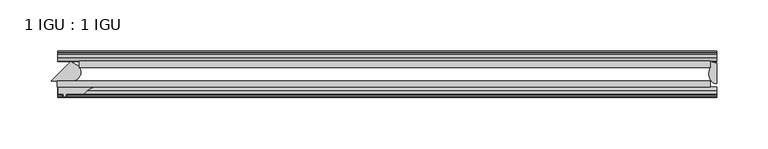
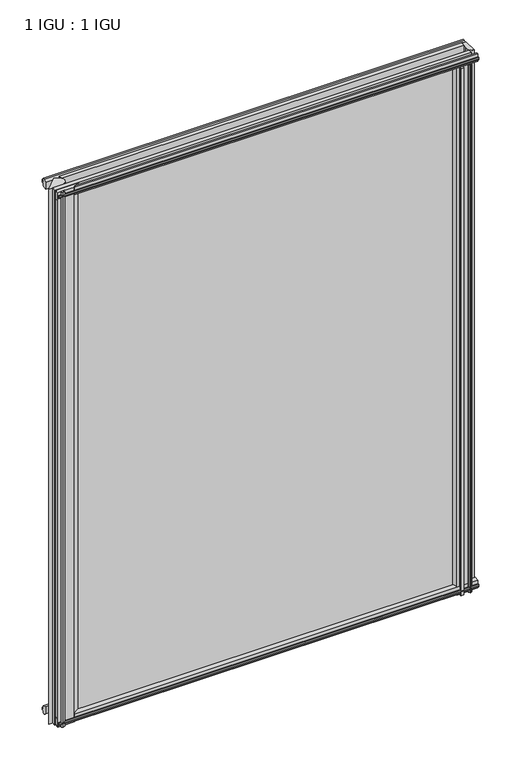
"""IFC4 building model written with IfcOpenShell, lengths in millimetres: plate geometry, 1 IGU : 1 IGU."""

from ifc_helpers import new_model, si_unit, point, frame, frame_2d, origin, place, context, project, spatial, polyline, circle_curve, ellipse_curve, trimmed, segment, composite_curve, outline, extrude, source, transform, mapped, element, save
from ifc_brep_helpers import plane_surface, cylinder_surface, revolved_surface, extruded_surface, advanced_brep


def plate_1_igu_1_igu_557aa4a2(model_context):
    return source(origin(), model_context, "Body", "SolidModel", [
        extrude(outline(polyline([(-321.2703124, -38.6468937), (314.3249999, -38.6468937), (314.3249999, -44.9460938), (-321.2703124, -44.9460938), (-321.2703124, -38.6468937)])), frame((0.0, 0.0, -12.7), z_axis=(0.0, 0.0, 1.0), x_axis=(1.0, 0.0, 0.0)), (0.0, 0.0, 1.0), 863.5999996),
        extrude(outline(polyline([(-299.9382812, -19.5460937), (314.3249999, -19.5460937), (314.3249999, -25.8960938), (-299.9382812, -25.8960938), (-299.9382812, -19.5460937)])), frame((0.0, 0.0, -12.7), z_axis=(0.0, 0.0, 1.0), x_axis=(1.0, 0.0, 0.0)), (0.0, 0.0, 1.0), 863.5999996),
        extrude(outline(composite_curve([segment(trimmed(circle_curve(frame_2d((-306.7623353, -30.324123)), 8.3601973), [point((-300.5949226, -24.6800183))], [point((-305.9721541, -38.6468937))], False, "CARTESIAN"), True, "CONTINUOUS"), segment(polyline([(-305.9721541, -38.6468937), (-327.0757999, -38.6468937), (-308.3468028, -19.9178967), (-303.54423, -22.8189613)]), True, "CONTINUOUS"), segment(trimmed(circle_curve(frame_2d((-305.8354261, -29.7174148)), 7.2689917), [point((-303.54423, -22.8189613))], [point((-300.5949226, -24.6800183))], False, "CARTESIAN"), True, "CONTINUOUS")], self_intersect=False)), frame((0.0, 0.0, -12.7), z_axis=(0.0, 0.0, 1.0), x_axis=(1.0, 0.0, 0.0)), (0.0, 0.0, 1.0), 863.5999996),
        advanced_brep(
        [(320.6749999, -21.1709383, -12.4587), (320.6749999, -41.5384061, -12.4587), (313.1526628, -32.2460938, -12.4587), (314.3249999, -25.8452938, -12.4587), (314.3249999, -19.5460938, -12.4587), (320.6749999, -21.1709383, 850.8999996), (314.3249999, -19.5460938, 850.8999996), (314.3249999, -25.8452938, 850.8999996), (313.1526628, -32.2460938, 850.8999996), (320.6749999, -41.5384061, 850.8999996)],
        [
            (0, 1),
            (1, 2, ellipse_curve(frame((320.6749999, -32.2460938, -12.4587), z_axis=(0.0, 0.0, -1.0), x_axis=(0.0, -1.0, 0.0)), 9.2923124, 7.5223371)),
            (2, 3, circle_curve(frame((331.2125763, -32.2460938, -12.4587), z_axis=(0.0, 0.0, -1.0), x_axis=(1.0, 0.0, 0.0)), 18.0599135)),
            (3, 4),
            (4, 0, circle_curve(frame((320.6749999, -7.950406, -12.4587), z_axis=(0.0, 0.0, 1.0), x_axis=(1.0, 0.0, 0.0)), 13.2205323)),
            (5, 6, circle_curve(frame((320.6749999, -7.950406, 850.8999996), z_axis=(0.0, 0.0, -1.0), x_axis=(1.0, 0.0, 0.0)), 13.2205323)),
            (6, 7),
            (7, 8, circle_curve(frame((331.2125763, -32.2460938, 850.8999996), z_axis=(0.0, 0.0, 1.0), x_axis=(1.0, 0.0, 0.0)), 18.0599135)),
            (8, 9, ellipse_curve(frame((320.6749999, -32.2460938, 850.8999996), z_axis=(0.0, 0.0, 1.0), x_axis=(0.0, -1.0, 0.0)), 9.2923124, 7.5223371)),
            (9, 5),
            (1, 9),
            (8, 2),
            (7, 3),
            (6, 4),
            (5, 0),
        ],
        [
            plane_surface(frame((320.6749999, -13.1960938, -12.4587), z_axis=(0.0, 0.0, -1.0), x_axis=(0.0, 1.0, 0.0))),
            plane_surface(frame((320.6749999, -13.1960938, 850.8999996), z_axis=(0.0, 0.0, 1.0), x_axis=(0.0, 1.0, 0.0))),
            extruded_surface(trimmed(ellipse_curve(frame((320.6749999, -32.2460938, 850.8999996), z_axis=(0.0, 0.0, -1.0), x_axis=(0.0, -1.0, 0.0)), 9.2923124, 7.5223371), [point((320.6749999, -41.5384061, 850.8999996))], [point((313.1526628, -32.2460938, 850.8999996))], True, "CARTESIAN"), (0.0, 0.0, -863.3586996), 863.3586996),
            cylinder_surface(frame((331.2125763, -32.2460938, -12.4587), z_axis=(0.0, 0.0, -1.0), x_axis=(1.0, 0.0, 0.0)), 18.0599135),
            plane_surface(frame((314.3249999, -25.8452938, -12.4587), z_axis=(-1.0, 0.0, 0.0), x_axis=(0.0, 0.0, 1.0))),
            revolved_surface(polyline([(333.8955322, -7.950406, 850.8999996), (333.8955322, -7.950406, -12.4587)]), (320.6749999, -7.950406, -12.4587), (0.0, 0.0, 1.0)),
            plane_surface(frame((320.6749999, -21.1709383, -12.4587), z_axis=(1.0, 0.0, 0.0), x_axis=(0.0, 0.0, 1.0))),
        ],
        [
            (0, [[1, 2, 3, 4, 5]]),
            (1, [[6, 7, 8, 9, 10]]),
            (2, [[-2, 11, -9, 12]]),
            (3, [[-3, -12, -8, 13]]),
            (4, [[-4, -13, -7, 14]]),
            (5, [[-5, -14, -6, 15]]),
            (6, [[-1, -15, -10, -11]]),
        ],
    ),
        extrude(outline(composite_curve([segment(polyline([(-320.3656597, -44.9460937), (-285.0054921, -44.9460937)]), True, "CONTINUOUS"), segment(trimmed(circle_curve(frame_2d((-281.8166559, -61.7346627)), 17.0887309), [point((-285.0054921, -44.9460937))], [point((-295.3466597, -51.2960937))], True, "CARTESIAN"), True, "CONTINUOUS"), segment(polyline([(-295.3466597, -51.2960937), (-312.7456597, -51.2960937), (-313.0631597, -53.4006957), (-311.8445538, -53.0741712), (-311.6407597, -53.8347412), (-314.0156597, -54.4710937), (-316.3905597, -53.8347412), (-316.1867656, -53.0741712), (-314.9681597, -53.4006957), (-315.2856597, -51.2960937), (-320.3656597, -51.2960937), (-320.3656597, -44.9460937)]), True, "CONTINUOUS")], self_intersect=False)), frame((0.0, 0.0, -12.4587), z_axis=(0.0, 0.0, 1.0), x_axis=(1.0, 0.0, 0.0)), (0.0, 0.0, 1.0), 863.1173998),
        extrude(outline(polyline([(-44.9460937, 1.7177181), (-44.9460937, -9.1036578), (-48.3496937, -11.938), (-51.2960937, -11.938), (-51.2960937, -7.493), (-53.6762907, -7.112), (-53.2163575, -8.5275291), (-54.0175717, -8.5275291), (-54.7250937, -6.35), (-54.0175717, -4.1724709), (-53.2163575, -4.1724709), (-53.6762907, -5.588), (-51.2960937, -5.207), (-51.2960937, 0.0), (-44.9460937, 1.7177181)])), frame((-320.6749999, 0.0, 0.0), z_axis=(1.0, 0.0, 0.0), x_axis=(0.0, 1.0, 0.0)), (0.0, 0.0, 1.0), 641.3499998),
        extrude(outline(polyline([(-13.1960937, -12.4587), (-16.1424937, -12.4587), (-19.5460937, -9.6243578), (-19.5460937, 1.1970181), (-13.1960937, -0.5207), (-13.1960937, -5.7277), (-10.8158968, -6.1087), (-11.27583, -4.6931709), (-10.4746158, -4.6931709), (-9.7670937, -6.8707), (-10.4746158, -9.0482291), (-11.27583, -9.0482291), (-10.8158968, -7.6327), (-13.1960937, -8.0137), (-13.1960937, -12.4587)])), frame((-320.6749999, 0.0, 0.0), z_axis=(1.0, 0.0, 0.0), x_axis=(0.0, 1.0, 0.0)), (0.0, 0.0, 1.0), 641.3499998),
        extrude(outline(polyline([(-51.2960937, 850.1379996), (-48.3496937, 850.1379996), (-44.9460937, 847.3036575), (-44.9460937, 836.4822816), (-51.2960937, 838.1999996), (-51.2960937, 843.4069996), (-53.6762907, 843.7879996), (-53.2163575, 842.3724706), (-54.0175717, 842.3724706), (-54.7250937, 844.5499996), (-54.0175717, 846.7275287), (-53.2163575, 846.7275287), (-53.6762907, 845.3119996), (-51.2960937, 845.6929996), (-51.2960937, 850.1379996)])), frame((-320.6749999, 0.0, 0.0), z_axis=(1.0, 0.0, 0.0), x_axis=(0.0, 1.0, 0.0)), (0.0, 0.0, 1.0), 641.3499998),
        extrude(outline(polyline([(-19.5460937, 837.0029816), (-19.5460937, 847.8243575), (-16.1424937, 850.6586996), (-13.1960937, 850.6586996), (-13.1960937, 846.2136996), (-10.8158968, 845.8326996), (-11.27583, 847.2482287), (-10.4746158, 847.2482287), (-9.7670937, 845.0706996), (-10.4746158, 842.8931706), (-11.27583, 842.8931706), (-10.8158968, 844.3086996), (-13.1960937, 843.9276996), (-13.1960937, 838.7206996), (-19.5460937, 837.0029816)])), frame((-320.6749999, 0.0, 0.0), z_axis=(1.0, 0.0, 0.0), x_axis=(0.0, 1.0, 0.0)), (0.0, 0.0, 1.0), 641.3499998),
        extrude(outline(composite_curve([segment(polyline([(311.1500001, -44.9460938), (311.1500001, -51.2960938), (309.4990001, -51.2960938), (309.4990001, -52.9470938), (310.5766308, -52.9470938)]), True, "CONTINUOUS"), segment(trimmed(circle_curve(frame_2d((309.4990001, -52.9470938)), 1.0776307), [point((310.5766308, -52.9470938))], [point((310.2610001, -53.7090938))], False, "CARTESIAN"), True, "CONTINUOUS"), segment(polyline([(310.2610001, -53.7090938), (308.5217077, -54.8194621)]), True, "CONTINUOUS"), segment(trimmed(circle_curve(frame_2d((307.9750001, -53.9630938)), 1.016), [point((308.5217077, -54.8194621))], [point((307.4282925, -54.8194621))], False, "CARTESIAN"), True, "CONTINUOUS"), segment(polyline([(307.4282925, -54.8194621), (305.6890001, -53.7090938)]), True, "CONTINUOUS"), segment(trimmed(circle_curve(frame_2d((306.4510001, -52.9470938)), 1.0776307), [point((305.6890001, -53.7090938))], [point((305.3733693, -52.9470938))], False, "CARTESIAN"), True, "CONTINUOUS"), segment(polyline([(305.3733693, -52.9470938), (306.4510001, -52.9470938), (306.4510001, -51.2960938), (297.3832001, -51.2960938)]), True, "CONTINUOUS"), segment(trimmed(circle_curve(frame_2d((297.3832001, -51.7532938)), 0.4572), [point((297.3832001, -51.2960938))], [point((297.0443822, -52.0602698))], True, "CARTESIAN"), True, "CONTINUOUS"), segment(trimmed(circle_curve(frame_2d((295.2750001, -53.663367)), 2.3876), [point((297.0443822, -52.0602698))], [point((297.3456431, -54.8520938))], False, "CARTESIAN"), True, "CONTINUOUS"), segment(polyline([(297.3456431, -54.8520938), (293.2043571, -54.8520938)]), True, "CONTINUOUS"), segment(trimmed(circle_curve(frame_2d((295.2750001, -53.663367)), 2.3876), [point((293.2043571, -54.8520938))], [point((293.5056179, -52.0602698))], False, "CARTESIAN"), True, "CONTINUOUS"), segment(trimmed(circle_curve(frame_2d((293.1668001, -51.7532938)), 0.4572), [point((293.5056179, -52.0602698))], [point((293.1668001, -51.2960938))], True, "CARTESIAN"), True, "CONTINUOUS"), segment(polyline([(293.1668001, -51.2960938), (288.9250001, -51.2960938)]), True, "CONTINUOUS"), segment(trimmed(circle_curve(frame_2d((279.9090686, -51.9750196)), 9.0414579), [point((288.9250001, -51.2960938))], [point((285.5960855, -44.9460938))], True, "CARTESIAN"), True, "CONTINUOUS"), segment(polyline([(285.5960855, -44.9460938), (311.1500001, -44.9460938)]), True, "CONTINUOUS")], self_intersect=False)), frame((0.0, 0.0, -12.7), z_axis=(0.0, 0.0, 1.0), x_axis=(1.0, 0.0, 0.0)), (0.0, 0.0, 1.0), 850.8999996),
    ])


if __name__ == "__main__":
    model = new_model("IFC4")
    model_context = context("Model", 3, world=origin())
    ifc_project = project(units=[si_unit("LENGTHUNIT", "METRE", prefix="MILLI")], contexts=[model_context])
    site = spatial("IfcSite", under=ifc_project)
    building = spatial("IfcBuilding", under=site)
    placement = place(None, origin())
    plate_1_igu_1_igu_shape = plate_1_igu_1_igu_557aa4a2(model_context)
    element("IfcPlate", 1, ObjectType="1 IGU : 1 IGU", at=placement, inside=building, context=model_context, shape_type="MappedRepresentation", body=[
        mapped(plate_1_igu_1_igu_shape, transform((0.0, 0.0, 0.0), x_axis=(1.0, 0.0, 0.0), y_axis=(0.0, 1.0, 0.0), z_axis=(0.0, 0.0, 1.0))),
    ])
    save(model, "model.ifc")
